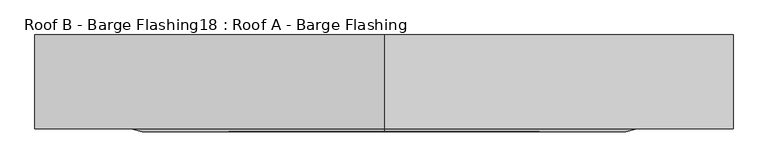
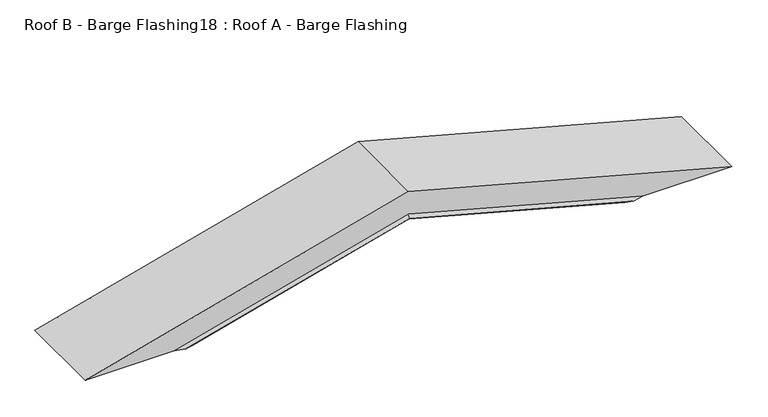
"""IFC4 building model written with IfcOpenShell, lengths in millimetres: proxy geometry, Roof B - Barge Flashing18 : Roof A - Barge Flashing."""

from ifc_helpers import new_model, si_unit, origin, place, context, project, spatial, faceted_brep, source, transform, mapped, element, save


def roof_b_barge_flashing18_roof_a_barge_flashing_24694e58(model_context):
    return source(origin(), model_context, "Body", "Brep", [
        faceted_brep([(-2108.6657985, -31799.894688, 4345.332841), (-3776.9542376, -31799.894688, 4792.349381), (-5445.2426767, -31799.894688, 4345.332841), (-5265.580473, -31799.894688, 4345.332841), (-3776.9542376, -31799.894688, 4744.2090386), (-2288.3280022, -31799.894688, 4345.332841), (-3776.9542376, -31798.894688, 4744.2090386), (-2288.3280022, -31798.894688, 4345.332841), (-5265.580473, -31798.894688, 4345.332841), (-5449.10638, -31798.894688, 4345.332841), (-3776.9542376, -31798.894688, 4793.3846572), (-2104.8020952, -31798.894688, 4345.332841), (-3776.9542376, -32249.0293019, 4793.3846572), (-2104.8020952, -32249.0293019, 4345.332841), (-5449.10638, -32249.0293019, 4345.332841), (-4990.2916125, -32249.0293019, 4345.332841), (-3776.9542376, -32249.0293019, 4670.4456108), (-2563.6168627, -32249.0293019, 4345.332841), (-3776.9542376, -32263.1714375, 4655.8045946), (-2618.2578788, -32263.1714375, 4345.332841), (-3776.9542376, -32252.5648358, 4644.8238325), (-2659.2386409, -32252.5648358, 4345.332841), (-3776.9542376, -32251.857729, 4645.5558833), (-2656.5065901, -32251.857729, 4345.332841), (-3776.9542376, -32261.7572239, 4655.8045946), (-2618.2578788, -32261.7572239, 4345.332841), (-3776.9542376, -32248.0293019, 4670.0167853), (-2565.217261, -32248.0293019, 4345.332841), (-4988.6912142, -32248.0293019, 4345.332841), (-5445.2426767, -32248.0293019, 4345.332841), (-3776.9542376, -32248.0293019, 4792.349381), (-2108.6657985, -32248.0293019, 4345.332841), (-4935.6505964, -32263.1714375, 4345.332841), (-4894.6698343, -32252.5648358, 4345.332841), (-4897.4018851, -32251.857729, 4345.332841), (-4935.6505964, -32261.7572239, 4345.332841)], [[[0, 1, 2, 3, 4, 5]], [[4, 6, 7, 5]], [[7, 6, 8, 9, 10, 11]], [[10, 12, 13, 11]], [[13, 12, 14, 15, 16, 17]], [[16, 18, 19, 17]], [[18, 20, 21, 19]], [[20, 22, 23, 21]], [[22, 24, 25, 23]], [[24, 26, 27, 25]], [[27, 26, 28, 29, 30, 31]], [[30, 1, 0, 31]], [[6, 4, 3, 8]], [[12, 10, 9, 14]], [[18, 16, 15, 32]], [[20, 18, 32, 33]], [[22, 20, 33, 34]], [[24, 22, 34, 35]], [[26, 24, 35, 28]], [[1, 30, 29, 2]], [[0, 5, 7, 11, 13, 17, 19, 21, 23, 25, 27, 31]], [[3, 2, 29, 28, 35, 34, 33, 32, 15, 14, 9, 8]]]),
    ])


if __name__ == "__main__":
    model = new_model("IFC4")
    model_context = context("Model", 3, world=origin())
    ifc_project = project(units=[si_unit("LENGTHUNIT", "METRE", prefix="MILLI")], contexts=[model_context])
    site = spatial("IfcSite", under=ifc_project)
    building = spatial("IfcBuilding", under=site)
    placement = place(None, origin())
    roof_b_barge_flashing18_roof_a_barge_flashing_shape = roof_b_barge_flashing18_roof_a_barge_flashing_24694e58(model_context)
    element("IfcBuildingElementProxy", 1, Name="Roof B - Barge Flashing18 : Roof A - Barge Flashing", ObjectType="Roof B - Barge Flashing18 : Roof A - Barge Flashing", at=placement, inside=building, context=model_context, shape_type="MappedRepresentation", body=[
        mapped(roof_b_barge_flashing18_roof_a_barge_flashing_shape, transform((0.0, 0.0, 0.0), x_axis=(1.0, 0.0, 0.0), y_axis=(0.0, 1.0, 0.0), z_axis=(0.0, 0.0, 1.0))),
    ])
    save(model, "model.ifc")
